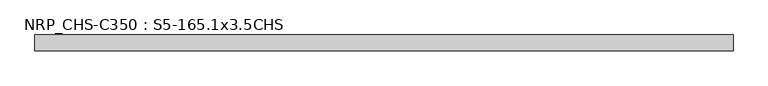
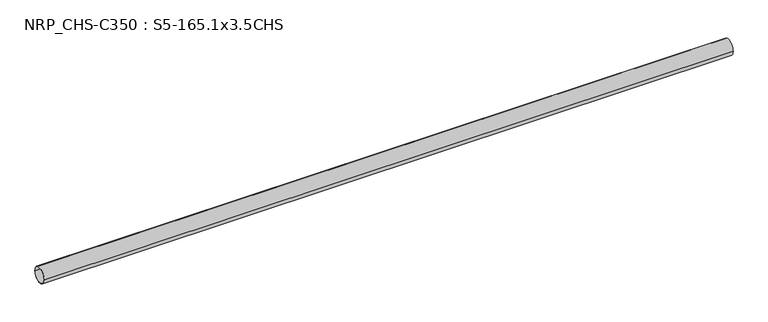
"""IFC4 building model written with IfcOpenShell, lengths in millimetres: beam geometry, NRP_CHS-C350 : S5-165.1x3.5CHS."""

from ifc_helpers import new_model, si_unit, point, frame, origin, origin_2d, place, context, project, spatial, circle_curve, trimmed, segment, composite_curve, outline, extrude, source, transform, mapped, element, save


def nrp_chs_c350_s5_165_1x3_5chs_ce9cadbf(model_context):
    return source(origin(), model_context, "Body", "SweptSolid", [
        extrude(outline(composite_curve([segment(trimmed(circle_curve(origin_2d(), 82.55), [point((-82.55, 0.0))], [point((82.55, 0.0))], False, "CARTESIAN"), True, "CONTINUOUS"), segment(trimmed(circle_curve(origin_2d(), 82.55), [point((82.55, 0.0))], [point((-82.55, 0.0))], False, "CARTESIAN"), True, "CONTINUOUS")], self_intersect=False), holes=[composite_curve([segment(trimmed(circle_curve(origin_2d(), 79.05), [point((79.05, 0.0))], [point((-79.05, 0.0))], True, "CARTESIAN"), True, "CONTINUOUS"), segment(trimmed(circle_curve(origin_2d(), 79.05), [point((-79.05, 0.0))], [point((79.05, 0.0))], True, "CARTESIAN"), True, "CONTINUOUS")], self_intersect=False)]), frame((-3587.35, 0.0, 0.0), z_axis=(1.0, 0.0, 0.0), x_axis=(0.0, 1.0, 0.0)), (0.0, 0.0, 1.0), 7191.4),
    ])


if __name__ == "__main__":
    model = new_model("IFC4")
    model_context = context("Model", 3, world=origin())
    ifc_project = project(units=[si_unit("LENGTHUNIT", "METRE", prefix="MILLI")], contexts=[model_context])
    site = spatial("IfcSite", under=ifc_project)
    building = spatial("IfcBuilding", under=site)
    placement = place(None, origin())
    nrp_chs_c350_s5_165_1x3_5chs_shape = nrp_chs_c350_s5_165_1x3_5chs_ce9cadbf(model_context)
    element("IfcBeam", 1, ObjectType="NRP_CHS-C350 : S5-165.1x3.5CHS", at=placement, inside=building, context=model_context, shape_type="MappedRepresentation", body=[
        mapped(nrp_chs_c350_s5_165_1x3_5chs_shape, transform((0.0, 0.0, 0.0), x_axis=(1.0, 0.0, 0.0), y_axis=(0.0, 1.0, 0.0), z_axis=(0.0, 0.0, 1.0))),
    ])
    save(model, "model.ifc")
